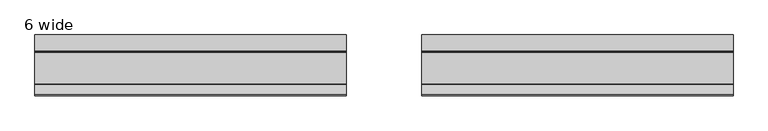
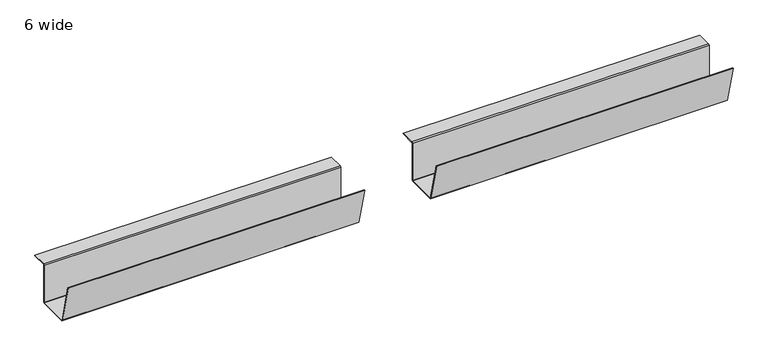
"""IFC4 building model written with IfcOpenShell, lengths in millimetres: furniture geometry, 6 wide."""

from ifc_helpers import new_model, si_unit, frame, origin, place, context, project, spatial, polyline, outline, extrude, source, transform, mapped, element, save


def furniture_6_wide_0148d497(model_context):
    return source(origin(), model_context, "Body", "SweptSolid", [
        extrude(outline(polyline([(-316.7585724, 502.8984097), (-291.4505128, 403.0435825), (-290.6851639, 402.4480004), (-215.54987, 402.4480004), (-214.7598564, 403.2379958), (-214.7598564, 500.2099837), (-212.4458625, 502.524014), (-174.7598634, 502.524014), (-174.7598634, 501.0000154), (-212.4458625, 501.0000154), (-213.2358579, 500.2099837), (-213.2358579, 403.2379958), (-215.54987, 400.9240019), (-290.6851639, 400.9240019), (-292.9284047, 402.6696189), (-318.2358805, 502.524014), (-316.7585724, 502.8984097)])), frame((1003.550009, 0.0, 0.0), z_axis=(1.0, 0.0, 0.0), x_axis=(0.0, 1.0, 0.0)), (0.0, 0.0, 1.0), 736.0919909),
        extrude(outline(polyline([(-316.7585724, 502.8984097), (-291.4505128, 403.0435825), (-290.6851639, 402.4480004), (-215.54987, 402.4480004), (-214.7598564, 403.2379958), (-214.7598564, 500.2099837), (-212.4458625, 502.524014), (-174.7598634, 502.524014), (-174.7598634, 501.0000154), (-212.4458625, 501.0000154), (-213.2358579, 500.2099837), (-213.2358579, 403.2379958), (-215.54987, 400.9240019), (-290.6851639, 400.9240019), (-292.9284047, 402.6696189), (-318.2358805, 502.524014), (-316.7585724, 502.8984097)])), frame((89.1499999, 0.0, 0.0), z_axis=(1.0, 0.0, 0.0), x_axis=(0.0, 1.0, 0.0)), (0.0, 0.0, 1.0), 736.0919909),
    ])


if __name__ == "__main__":
    model = new_model("IFC4")
    model_context = context("Model", 3, world=origin())
    ifc_project = project(units=[si_unit("LENGTHUNIT", "METRE", prefix="MILLI")], contexts=[model_context])
    site = spatial("IfcSite", under=ifc_project)
    building = spatial("IfcBuilding", under=site)
    placement = place(None, origin())
    furniture_6_wide_shape = furniture_6_wide_0148d497(model_context)
    element("IfcFurniture", 1, ObjectType="6 wide", at=placement, inside=building, context=model_context, shape_type="MappedRepresentation", body=[
        mapped(furniture_6_wide_shape, transform((0.0, 0.0, 0.0), x_axis=(1.0, 0.0, 0.0), y_axis=(0.0, 1.0, 0.0), z_axis=(0.0, 0.0, 1.0))),
    ])
    save(model, "model.ifc")
